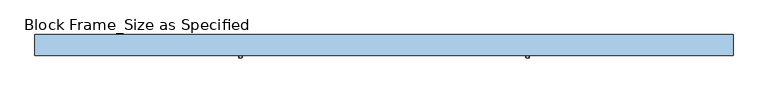
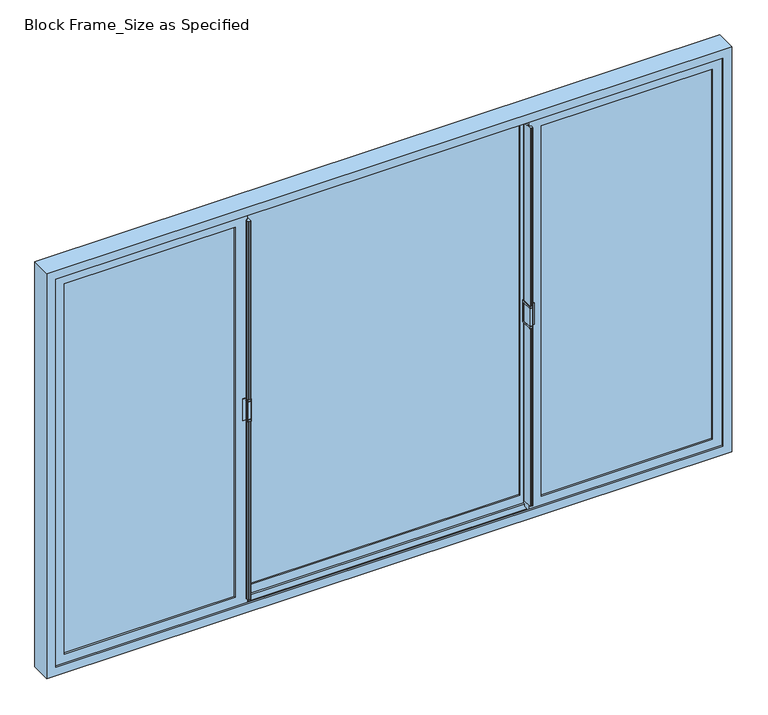
"""IFC4 building model written with IfcOpenShell, lengths in millimetres: window geometry, Block Frame_Size as Specified."""

from ifc_helpers import new_model, si_unit, frame, origin, place, context, project, spatial, polyline, circle_curve, outline, extrude, faceted_brep, source, transform, mapped, element, save
from ifc_brep_helpers import plane_surface, cylinder_surface, advanced_brep


def block_frame_size_as_specified_0ee8d350(model_context):
    return source(origin(), model_context, "Body", "SolidModel", [
        advanced_brep(
        [(-478.110056, 12.2834942, 1409.7), (-476.522556, 13.8709942, 1409.7), (-476.522556, 54.8379688, 1409.7), (-478.48439, 54.8379688, 1409.7), (-478.48439, 26.7678692, 1409.7), (-499.6447082, 26.7678692, 1409.7), (-499.6447082, 25.3803692, 1409.7), (-488.4155038, 25.3803692, 1409.7), (-488.4155038, 13.8709942, 1409.7), (-486.8280038, 12.2834942, 1409.7), (-478.110056, 12.2834942, 1327.15), (-486.8280038, 12.2834942, 1327.15), (-488.4155038, 13.8709942, 1327.15), (-488.4155038, 25.3803692, 1327.15), (-499.6447082, 25.3803692, 1327.15), (-499.6447082, 26.7678692, 1327.15), (-478.48439, 26.7678692, 1327.15), (-478.48439, 54.8379688, 1327.15), (-476.522556, 54.8379688, 1327.15), (-476.522556, 13.8709942, 1327.15), (-486.8280038, 12.2834942, 1403.35), (-478.110056, 12.2834942, 1403.35), (-478.110056, 12.2834942, 1333.5), (-486.8280038, 12.2834942, 1333.5), (-478.110056, 12.2834942, 1335.0875), (-478.110056, 12.2834942, 1401.7625), (-486.8280038, 12.2834942, 1401.7625), (-486.8280038, 12.2834942, 1335.0875), (-488.4155038, 13.8709942, 1403.35), (-488.4155038, 13.8709942, 1333.5), (-488.4155038, 13.8709942, 1401.7625), (-488.4155038, 13.8709942, 1335.0875), (-488.4155038, 25.3803692, 1403.35), (-488.4155038, 25.3803692, 1333.5), (-488.4155038, 25.3803692, 1401.7625), (-488.4155038, 25.3803692, 1335.0875), (-478.48439, 26.7678692, 1403.35), (-488.4155038, 26.7678692, 1403.35), (-488.4155038, 26.7678692, 1401.7625), (-478.48439, 26.7678692, 1401.7625), (-478.48439, 26.7678692, 1335.0875), (-488.4155038, 26.7678692, 1335.0875), (-488.4155038, 26.7678692, 1333.5), (-478.48439, 26.7678692, 1333.5), (-478.48439, 48.4879688, 1333.5), (-478.48439, 48.4879688, 1403.35), (-478.48439, 46.9004688, 1401.7625), (-478.48439, 46.9004688, 1335.0875), (-476.522556, 13.8709942, 1403.35), (-476.522556, 48.4879688, 1403.35), (-476.522556, 48.4879688, 1333.5), (-476.522556, 13.8709942, 1333.5), (-476.522556, 13.8709942, 1401.7625), (-476.522556, 13.8709942, 1335.0875), (-476.522556, 46.9004688, 1335.0875), (-476.522556, 46.9004688, 1401.7625)],
        [
            (0, 1, circle_curve(frame((-478.110056, 13.8709942, 1409.7), z_axis=(0.0, 0.0, 1.0), x_axis=(0.0, 1.0, 0.0)), 1.5875)),
            (1, 2),
            (2, 3),
            (3, 4),
            (4, 5),
            (5, 6),
            (6, 7),
            (7, 8),
            (8, 9, circle_curve(frame((-486.8280038, 13.8709942, 1409.7), z_axis=(0.0, 0.0, 1.0), x_axis=(0.0, 1.0, 0.0)), 1.5875)),
            (9, 0),
            (10, 11),
            (11, 12, circle_curve(frame((-486.8280038, 13.8709942, 1327.15), z_axis=(0.0, 0.0, -1.0), x_axis=(0.0, 1.0, 0.0)), 1.5875)),
            (12, 13),
            (13, 14),
            (14, 15),
            (15, 16),
            (16, 17),
            (17, 18),
            (18, 19),
            (19, 10, circle_curve(frame((-478.110056, 13.8709942, 1327.15), z_axis=(0.0, 0.0, -1.0), x_axis=(0.0, 1.0, 0.0)), 1.5875)),
            (9, 20),
            (20, 21),
            (21, 0),
            (10, 22),
            (22, 23),
            (23, 11),
            (24, 25),
            (25, 26),
            (26, 27),
            (27, 24),
            (8, 28),
            (28, 20, circle_curve(frame((-486.8280038, 13.8709942, 1403.35), z_axis=(0.0, 0.0, 1.0), x_axis=(0.0, 1.0, 0.0)), 1.5875)),
            (23, 29, circle_curve(frame((-486.8280038, 13.8709942, 1333.5), z_axis=(0.0, 0.0, -1.0), x_axis=(0.0, 1.0, 0.0)), 1.5875)),
            (29, 12),
            (26, 30, circle_curve(frame((-486.8280038, 13.8709942, 1401.7625), z_axis=(0.0, 0.0, -1.0), x_axis=(0.0, 1.0, 0.0)), 1.5875)),
            (30, 31),
            (31, 27, circle_curve(frame((-486.8280038, 13.8709942, 1335.0875), z_axis=(0.0, 0.0, 1.0), x_axis=(0.0, 1.0, 0.0)), 1.5875)),
            (7, 32),
            (32, 28),
            (29, 33),
            (33, 13),
            (30, 34),
            (34, 35),
            (35, 31),
            (6, 14),
            (33, 35),
            (34, 32),
            (5, 15),
            (4, 36),
            (36, 37),
            (37, 38),
            (38, 39),
            (39, 40),
            (40, 41),
            (41, 42),
            (42, 43),
            (43, 16),
            (3, 17),
            (43, 44),
            (44, 45),
            (45, 36),
            (39, 46),
            (46, 47),
            (47, 40),
            (2, 18),
            (1, 48),
            (48, 49),
            (49, 50),
            (50, 51),
            (51, 19),
            (52, 53),
            (53, 54),
            (54, 55),
            (55, 52),
            (21, 48, circle_curve(frame((-478.110056, 13.8709942, 1403.35), z_axis=(0.0, 0.0, 1.0), x_axis=(0.0, 1.0, 0.0)), 1.5875)),
            (51, 22, circle_curve(frame((-478.110056, 13.8709942, 1333.5), z_axis=(0.0, 0.0, -1.0), x_axis=(0.0, 1.0, 0.0)), 1.5875)),
            (24, 53, circle_curve(frame((-478.110056, 13.8709942, 1335.0875), z_axis=(0.0, 0.0, 1.0), x_axis=(0.0, 1.0, 0.0)), 1.5875)),
            (52, 25, circle_curve(frame((-478.110056, 13.8709942, 1401.7625), z_axis=(0.0, 0.0, -1.0), x_axis=(0.0, 1.0, 0.0)), 1.5875)),
            (34, 38),
            (37, 32),
            (41, 35),
            (33, 42),
            (55, 46),
            (54, 47),
            (50, 44),
            (49, 45),
        ],
        [
            plane_surface(frame((-482.9710411, 12.2834942, 1409.7), z_axis=(0.0, 0.0, 1.0), x_axis=(1.0, 0.0, 0.0))),
            plane_surface(frame((-482.9710411, 12.2834942, 1327.15), z_axis=(0.0, 0.0, -1.0), x_axis=(-1.0, 0.0, 0.0))),
            plane_surface(frame((-478.110056, 12.2834942, 1327.15), z_axis=(0.0, -1.0, 0.0), x_axis=(0.0, 0.0, 1.0))),
            cylinder_surface(frame((-486.8280038, 13.8709942, 1409.7), z_axis=(0.0, 0.0, -1.0), x_axis=(0.0, 1.0, 0.0)), 1.5875),
            plane_surface(frame((-488.4155038, 13.8709942, 1327.15), z_axis=(-1.0, 0.0, 0.0), x_axis=(0.0, 0.0, 1.0))),
            plane_surface(frame((-488.4155038, 25.3803692, 1327.15), z_axis=(0.0, -1.0, 0.0), x_axis=(0.0, 0.0, 1.0))),
            plane_surface(frame((-499.6447082, 25.3803692, 1327.15), z_axis=(-1.0, 0.0, 0.0), x_axis=(0.0, 0.0, 1.0))),
            plane_surface(frame((-499.6447082, 26.7678692, 1327.15), z_axis=(0.0, 1.0, 0.0), x_axis=(0.0, 0.0, 1.0))),
            plane_surface(frame((-478.48439, 26.7678692, 1327.15), z_axis=(-1.0, 0.0, 0.0), x_axis=(0.0, 0.0, 1.0))),
            plane_surface(frame((-478.48439, 54.8379688, 1327.15), z_axis=(0.0, 1.0, 0.0), x_axis=(0.0, 0.0, 1.0))),
            plane_surface(frame((-476.522556, 54.8379688, 1327.15), z_axis=(1.0, 0.0, 0.0), x_axis=(0.0, 0.0, 1.0))),
            cylinder_surface(frame((-478.110056, 13.8709942, 1409.7), z_axis=(0.0, 0.0, -1.0), x_axis=(0.0, 1.0, 0.0)), 1.5875),
            plane_surface(frame((-488.4155038, 12.2834942, 1403.35), z_axis=(1.0, 0.0, 0.0), x_axis=(0.0, 0.0, 1.0))),
            plane_surface(frame((-476.522556, 12.2834942, 1401.7625), z_axis=(0.0, 0.0, 1.0), x_axis=(-1.0, 0.0, 0.0))),
            plane_surface(frame((-476.522556, 46.9004688, 1401.7625), z_axis=(0.0, 1.0, 0.0), x_axis=(-1.0, 0.0, 0.0))),
            plane_surface(frame((-476.522556, 46.9004688, 1335.0875), z_axis=(0.0, 0.0, -1.0), x_axis=(-1.0, 0.0, 0.0))),
            plane_surface(frame((-476.522556, 12.2834942, 1333.5), z_axis=(0.0, 0.0, 1.0), x_axis=(-1.0, 0.0, 0.0))),
            plane_surface(frame((-476.522556, 48.4879688, 1333.5), z_axis=(0.0, -1.0, 0.0), x_axis=(-1.0, 0.0, 0.0))),
            plane_surface(frame((-476.522556, 48.4879688, 1403.35), z_axis=(0.0, 0.0, -1.0), x_axis=(-1.0, 0.0, 0.0))),
        ],
        [
            (0, [[1, 2, 3, 4, 5, 6, 7, 8, 9, 10]]),
            (1, [[11, 12, 13, 14, 15, 16, 17, 18, 19, 20]]),
            (2, [[-10, 21, 22, 23]]),
            (2, [[-11, 24, 25, 26]]),
            (2, [[27, 28, 29, 30]]),
            (3, [[-9, 31, 32, -21]]),
            (3, [[-12, -26, 33, 34]]),
            (3, [[-29, 35, 36, 37]]),
            (4, [[-8, 38, 39, -31]]),
            (4, [[-13, -34, 40, 41]]),
            (4, [[-36, 42, 43, 44]]),
            (5, [[-7, 45, -14, -41, 46, -43, 47, -38]]),
            (6, [[-6, 48, -15, -45]]),
            (7, [[-5, 49, 50, 51, 52, 53, 54, 55, 56, 57, -16, -48]]),
            (8, [[-4, 58, -17, -57, 59, 60, 61, -49]]),
            (8, [[-53, 62, 63, 64]]),
            (9, [[-3, 65, -18, -58]]),
            (10, [[-2, 66, 67, 68, 69, 70, -19, -65]]),
            (10, [[71, 72, 73, 74]]),
            (11, [[-1, -23, 75, -66]]),
            (11, [[-20, -70, 76, -24]]),
            (11, [[-27, 77, -71, 78]]),
            (12, [[79, -51, 80, -47]]),
            (12, [[81, -46, 82, -55]]),
            (13, [[-79, -42, -35, -28, -78, -74, 83, -62, -52]]),
            (14, [[-83, -73, 84, -63]]),
            (15, [[-81, -54, -64, -84, -72, -77, -30, -37, -44]]),
            (16, [[-82, -40, -33, -25, -76, -69, 85, -59, -56]]),
            (17, [[-85, -68, 86, -60]]),
            (18, [[-80, -50, -61, -86, -67, -75, -22, -32, -39]]),
        ],
    ),
        advanced_brep(
        [(516.210056, 12.2834942, 1327.15), (514.622556, 13.8709942, 1327.15), (514.622556, 54.8379688, 1327.15), (516.58439, 54.8379688, 1327.15), (516.58439, 26.7678692, 1327.15), (537.7447082, 26.7678692, 1327.15), (537.7447082, 25.3803692, 1327.15), (526.5155038, 25.3803692, 1327.15), (526.5155038, 13.8709942, 1327.15), (524.9280038, 12.2834942, 1327.15), (516.210056, 12.2834942, 1409.7), (524.9280038, 12.2834942, 1409.7), (526.5155038, 13.8709942, 1409.7), (526.5155038, 25.3803692, 1409.7), (537.7447082, 25.3803692, 1409.7), (537.7447082, 26.7678692, 1409.7), (516.58439, 26.7678692, 1409.7), (516.58439, 54.8379688, 1409.7), (514.622556, 54.8379688, 1409.7), (514.622556, 13.8709942, 1409.7), (524.9280038, 12.2834942, 1333.5), (516.210056, 12.2834942, 1333.5), (516.210056, 12.2834942, 1403.35), (524.9280038, 12.2834942, 1403.35), (516.210056, 12.2834942, 1401.7625), (516.210056, 12.2834942, 1335.0875), (524.9280038, 12.2834942, 1335.0875), (524.9280038, 12.2834942, 1401.7625), (526.5155038, 13.8709942, 1333.5), (526.5155038, 13.8709942, 1403.35), (526.5155038, 13.8709942, 1335.0875), (526.5155038, 13.8709942, 1401.7625), (526.5155038, 25.3803692, 1333.5), (526.5155038, 25.3803692, 1403.35), (526.5155038, 25.3803692, 1335.0875), (526.5155038, 25.3803692, 1401.7625), (516.58439, 26.7678692, 1333.5), (526.5155038, 26.7678692, 1333.5), (526.5155038, 26.7678692, 1335.0875), (516.58439, 26.7678692, 1335.0875), (516.58439, 26.7678692, 1401.7625), (526.5155038, 26.7678692, 1401.7625), (526.5155038, 26.7678692, 1403.35), (516.58439, 26.7678692, 1403.35), (516.58439, 48.4879688, 1403.35), (516.58439, 48.4879688, 1333.5), (516.58439, 46.9004688, 1335.0875), (516.58439, 46.9004688, 1401.7625), (514.622556, 13.8709942, 1333.5), (514.622556, 48.4879688, 1333.5), (514.622556, 48.4879688, 1403.35), (514.622556, 13.8709942, 1403.35), (514.622556, 13.8709942, 1335.0875), (514.622556, 13.8709942, 1401.7625), (514.622556, 46.9004688, 1401.7625), (514.622556, 46.9004688, 1335.0875)],
        [
            (0, 1, circle_curve(frame((516.210056, 13.8709942, 1327.15), z_axis=(0.0, 0.0, -1.0), x_axis=(0.0, 1.0, 0.0)), 1.5875)),
            (1, 2),
            (2, 3),
            (3, 4),
            (4, 5),
            (5, 6),
            (6, 7),
            (7, 8),
            (8, 9, circle_curve(frame((524.9280038, 13.8709942, 1327.15), z_axis=(0.0, 0.0, -1.0), x_axis=(0.0, 1.0, 0.0)), 1.5875)),
            (9, 0),
            (10, 11),
            (11, 12, circle_curve(frame((524.9280038, 13.8709942, 1409.7), z_axis=(0.0, 0.0, 1.0), x_axis=(0.0, 1.0, 0.0)), 1.5875)),
            (12, 13),
            (13, 14),
            (14, 15),
            (15, 16),
            (16, 17),
            (17, 18),
            (18, 19),
            (19, 10, circle_curve(frame((516.210056, 13.8709942, 1409.7), z_axis=(0.0, 0.0, 1.0), x_axis=(0.0, 1.0, 0.0)), 1.5875)),
            (9, 20),
            (20, 21),
            (21, 0),
            (10, 22),
            (22, 23),
            (23, 11),
            (24, 25),
            (25, 26),
            (26, 27),
            (27, 24),
            (8, 28),
            (28, 20, circle_curve(frame((524.9280038, 13.8709942, 1333.5), z_axis=(0.0, 0.0, -1.0), x_axis=(0.0, 1.0, 0.0)), 1.5875)),
            (23, 29, circle_curve(frame((524.9280038, 13.8709942, 1403.35), z_axis=(0.0, 0.0, 1.0), x_axis=(0.0, 1.0, 0.0)), 1.5875)),
            (29, 12),
            (26, 30, circle_curve(frame((524.9280038, 13.8709942, 1335.0875), z_axis=(0.0, 0.0, 1.0), x_axis=(0.0, 1.0, 0.0)), 1.5875)),
            (30, 31),
            (31, 27, circle_curve(frame((524.9280038, 13.8709942, 1401.7625), z_axis=(0.0, 0.0, -1.0), x_axis=(0.0, 1.0, 0.0)), 1.5875)),
            (7, 32),
            (32, 28),
            (29, 33),
            (33, 13),
            (30, 34),
            (34, 35),
            (35, 31),
            (6, 14),
            (33, 35),
            (34, 32),
            (5, 15),
            (4, 36),
            (36, 37),
            (37, 38),
            (38, 39),
            (39, 40),
            (40, 41),
            (41, 42),
            (42, 43),
            (43, 16),
            (3, 17),
            (43, 44),
            (44, 45),
            (45, 36),
            (39, 46),
            (46, 47),
            (47, 40),
            (2, 18),
            (1, 48),
            (48, 49),
            (49, 50),
            (50, 51),
            (51, 19),
            (52, 53),
            (53, 54),
            (54, 55),
            (55, 52),
            (21, 48, circle_curve(frame((516.210056, 13.8709942, 1333.5), z_axis=(0.0, 0.0, -1.0), x_axis=(0.0, 1.0, 0.0)), 1.5875)),
            (51, 22, circle_curve(frame((516.210056, 13.8709942, 1403.35), z_axis=(0.0, 0.0, 1.0), x_axis=(0.0, 1.0, 0.0)), 1.5875)),
            (24, 53, circle_curve(frame((516.210056, 13.8709942, 1401.7625), z_axis=(0.0, 0.0, -1.0), x_axis=(0.0, 1.0, 0.0)), 1.5875)),
            (52, 25, circle_curve(frame((516.210056, 13.8709942, 1335.0875), z_axis=(0.0, 0.0, 1.0), x_axis=(0.0, 1.0, 0.0)), 1.5875)),
            (34, 38),
            (37, 32),
            (41, 35),
            (33, 42),
            (55, 46),
            (54, 47),
            (50, 44),
            (49, 45),
        ],
        [
            plane_surface(frame((521.0710411, 12.2834942, 1327.15), z_axis=(0.0, 0.0, -1.0), x_axis=(-1.0, 0.0, 0.0))),
            plane_surface(frame((521.0710411, 12.2834942, 1409.7), z_axis=(0.0, 0.0, 1.0), x_axis=(1.0, 0.0, 0.0))),
            plane_surface(frame((516.210056, 12.2834942, 1409.7), z_axis=(0.0, -1.0, 0.0), x_axis=(0.0, 0.0, -1.0))),
            cylinder_surface(frame((524.9280038, 13.8709942, 1327.15), z_axis=(0.0, 0.0, 1.0), x_axis=(0.0, 1.0, 0.0)), 1.5875),
            plane_surface(frame((526.5155038, 13.8709942, 1409.7), z_axis=(1.0, 0.0, 0.0), x_axis=(0.0, 0.0, -1.0))),
            plane_surface(frame((526.5155038, 25.3803692, 1409.7), z_axis=(0.0, -1.0, 0.0), x_axis=(0.0, 0.0, -1.0))),
            plane_surface(frame((537.7447082, 25.3803692, 1409.7), z_axis=(1.0, 0.0, 0.0), x_axis=(0.0, 0.0, -1.0))),
            plane_surface(frame((537.7447082, 26.7678692, 1409.7), z_axis=(0.0, 1.0, 0.0), x_axis=(0.0, 0.0, -1.0))),
            plane_surface(frame((516.58439, 26.7678692, 1409.7), z_axis=(1.0, 0.0, 0.0), x_axis=(0.0, 0.0, -1.0))),
            plane_surface(frame((516.58439, 54.8379688, 1409.7), z_axis=(0.0, 1.0, 0.0), x_axis=(0.0, 0.0, -1.0))),
            plane_surface(frame((514.622556, 54.8379688, 1409.7), z_axis=(-1.0, 0.0, 0.0), x_axis=(0.0, 0.0, -1.0))),
            cylinder_surface(frame((516.210056, 13.8709942, 1327.15), z_axis=(0.0, 0.0, 1.0), x_axis=(0.0, 1.0, 0.0)), 1.5875),
            plane_surface(frame((526.5155038, 12.2834942, 1333.5), z_axis=(-1.0, 0.0, 0.0), x_axis=(0.0, 0.0, -1.0))),
            plane_surface(frame((514.622556, 12.2834942, 1335.0875), z_axis=(0.0, 0.0, -1.0), x_axis=(1.0, 0.0, 0.0))),
            plane_surface(frame((514.622556, 46.9004688, 1335.0875), z_axis=(0.0, 1.0, 0.0), x_axis=(1.0, 0.0, 0.0))),
            plane_surface(frame((514.622556, 46.9004688, 1401.7625), z_axis=(0.0, 0.0, 1.0), x_axis=(1.0, 0.0, 0.0))),
            plane_surface(frame((514.622556, 12.2834942, 1403.35), z_axis=(0.0, 0.0, -1.0), x_axis=(1.0, 0.0, 0.0))),
            plane_surface(frame((514.622556, 48.4879688, 1403.35), z_axis=(0.0, -1.0, 0.0), x_axis=(1.0, 0.0, 0.0))),
            plane_surface(frame((514.622556, 48.4879688, 1333.5), z_axis=(0.0, 0.0, 1.0), x_axis=(1.0, 0.0, 0.0))),
        ],
        [
            (0, [[1, 2, 3, 4, 5, 6, 7, 8, 9, 10]]),
            (1, [[11, 12, 13, 14, 15, 16, 17, 18, 19, 20]]),
            (2, [[-10, 21, 22, 23]]),
            (2, [[-11, 24, 25, 26]]),
            (2, [[27, 28, 29, 30]]),
            (3, [[-9, 31, 32, -21]]),
            (3, [[-12, -26, 33, 34]]),
            (3, [[-29, 35, 36, 37]]),
            (4, [[-8, 38, 39, -31]]),
            (4, [[-13, -34, 40, 41]]),
            (4, [[-36, 42, 43, 44]]),
            (5, [[-7, 45, -14, -41, 46, -43, 47, -38]]),
            (6, [[-6, 48, -15, -45]]),
            (7, [[-5, 49, 50, 51, 52, 53, 54, 55, 56, 57, -16, -48]]),
            (8, [[-4, 58, -17, -57, 59, 60, 61, -49]]),
            (8, [[-53, 62, 63, 64]]),
            (9, [[-3, 65, -18, -58]]),
            (10, [[-2, 66, 67, 68, 69, 70, -19, -65]]),
            (10, [[71, 72, 73, 74]]),
            (11, [[-1, -23, 75, -66]]),
            (11, [[-20, -70, 76, -24]]),
            (11, [[-27, 77, -71, 78]]),
            (12, [[79, -51, 80, -47]]),
            (12, [[81, -46, 82, -55]]),
            (13, [[-79, -42, -35, -28, -78, -74, 83, -62, -52]]),
            (14, [[-83, -73, 84, -63]]),
            (15, [[-81, -54, -64, -84, -72, -77, -30, -37, -44]]),
            (16, [[-82, -40, -33, -25, -76, -69, 85, -59, -56]]),
            (17, [[-85, -68, 86, -60]]),
            (18, [[-80, -50, -61, -86, -67, -75, -22, -32, -39]]),
        ],
    ),
        faceted_brep([(1238.25, 93.3158692, 2130.425), (1238.25, 20.2908692, 2130.425), (1238.25, 20.2908692, 606.425), (1238.25, 93.3158692, 606.425), (1222.375, 86.2533834, 2114.55), (1222.375, 93.3158692, 2114.55), (1222.375, 93.3158692, 622.3), (1222.375, 86.2533834, 622.3), (1206.5, 57.8828692, 2098.675), (1206.5, 68.8048692, 2098.675), (1206.5, 68.8048692, 638.175), (1206.5, 57.8828692, 638.175), (1228.725, 26.6408692, 2120.9), (1228.725, 57.8828692, 2120.9), (1228.725, 57.8828692, 615.95), (1228.725, 26.6408692, 615.95), (1206.5, 20.2908692, 2098.675), (1206.5, 26.6408692, 2098.675), (1206.5, 26.6408692, 638.175), (1206.5, 20.2908692, 638.175), (-1200.15, 20.2908692, 606.425), (-1200.15, 93.3158692, 606.425), (-1184.275, 93.3158692, 622.3), (-1184.275, 86.2533834, 622.3), (-1168.4, 68.8048692, 638.175), (-1168.4, 57.8828692, 638.175), (-1190.625, 57.8828692, 615.95), (-1190.625, 26.6408692, 615.95), (-1168.4, 26.6408692, 638.175), (-1168.4, 20.2908692, 638.175), (-1200.15, 20.2908692, 2130.425), (-1200.15, 93.3158692, 2130.425), (-1184.275, 93.3158692, 2114.55), (-1184.275, 86.2533834, 2114.55), (-1168.4, 68.8048692, 2098.675), (-1168.4, 57.8828692, 2098.675), (-1190.625, 57.8828692, 2120.9), (-1190.625, 26.6408692, 2120.9), (-1168.4, 26.6408692, 2098.675), (-1168.4, 20.2908692, 2098.675), (1224.9532518, 68.8048692, 2117.1282518), (1224.9532518, 86.2533834, 2117.1282518), (1224.9532518, 86.2533834, 619.7217482), (1224.9532518, 68.8048692, 619.7217482), (-1186.8532518, 86.2533834, 619.7217482), (-1186.8532518, 68.8048692, 619.7217482), (-1186.8532518, 86.2533834, 2117.1282518), (-1186.8532518, 68.8048692, 2117.1282518)], [[[0, 1, 2, 3]], [[4, 5, 6, 7]], [[8, 9, 10, 11]], [[12, 13, 14, 15]], [[16, 17, 18, 19]], [[3, 2, 20, 21]], [[7, 6, 22, 23]], [[11, 10, 24, 25]], [[15, 14, 26, 27]], [[19, 18, 28, 29]], [[21, 20, 30, 31]], [[23, 22, 32, 33]], [[25, 24, 34, 35]], [[27, 26, 36, 37]], [[29, 28, 38, 39]], [[1, 0, 31, 30]], [[0, 3, 21, 31], [6, 5, 32, 22]], [[5, 4, 33, 32]], [[9, 8, 35, 34]], [[14, 13, 36, 26], [8, 11, 25, 35]], [[13, 12, 37, 36]], [[12, 15, 27, 37], [18, 17, 38, 28]], [[17, 16, 39, 38]], [[2, 1, 30, 20], [16, 19, 29, 39]], [[40, 41, 42, 43]], [[43, 42, 44, 45]], [[45, 44, 46, 47]], [[42, 41, 46, 44], [4, 7, 23, 33]], [[41, 40, 47, 46]], [[40, 43, 45, 47], [10, 9, 34, 24]]]),
        extrude(outline(polyline([(662.5009224, -1144.0740776), (662.5009224, -516.4509224), (2074.3490776, -516.4509224), (2074.3490776, -1144.0740776), (662.5009224, -1144.0740776)]), holes=[polyline([(2066.4115776, -1136.1365776), (2066.4115776, -524.3884224), (670.4384224, -524.3884224), (670.4384224, -1136.1365776), (2066.4115776, -1136.1365776)])]), frame((0.0, 36.4833692, 0.0), z_axis=(0.0, 1.0, 0.0), x_axis=(0.0, 0.0, 1.0)), (0.0, 0.0, 1.0), 12.7),
        extrude(outline(polyline([(2078.0375, 521.49375), (2078.0375, -483.39375), (658.8125, -483.39375), (658.8125, 521.49375), (2078.0375, 521.49375)]), holes=[polyline([(669.925, 510.38125), (669.925, -472.28125), (2066.925, -472.28125), (2066.925, 510.38125), (669.925, 510.38125)])]), frame((0.0, 72.6783692, 0.0), z_axis=(0.0, 1.0, 0.0), x_axis=(0.0, 0.0, 1.0)), (0.0, 0.0, 1.0), 12.7),
        extrude(outline(polyline([(2074.3490776, 1182.1740776), (2074.3490776, 554.5509224), (662.5009224, 554.5509224), (662.5009224, 1182.1740776), (2074.3490776, 1182.1740776)]), holes=[polyline([(670.4384224, 1174.2365776), (670.4384224, 562.4884224), (2066.4115776, 562.4884224), (2066.4115776, 1174.2365776), (670.4384224, 1174.2365776)])]), frame((0.0, 36.4833692, 0.0), z_axis=(0.0, 1.0, 0.0), x_axis=(0.0, 0.0, 1.0)), (0.0, 0.0, 1.0), 12.7),
        advanced_brep(
        [(-483.39375, 62.5533692, 629.44375), (-483.39375, 62.5533692, 2107.40625), (-483.39375, 26.6408692, 2107.40625), (-483.39375, 26.6408692, 2079.625), (-483.39375, 49.3033692, 2079.625), (-483.39375, 49.3033692, 657.225), (-483.39375, 26.6408692, 657.225), (-483.39375, 26.6408692, 629.44375), (-509.5932148, 56.005713, 2081.2067852), (-509.5932148, 56.8033692, 2081.2067852), (-509.5932148, 56.8033692, 2107.40625), (-509.5932148, 62.5533692, 2107.40625), (-509.5932148, 62.5533692, 629.44375), (-509.5932148, 56.8033692, 629.44375), (-509.5932148, 56.8033692, 655.6432148), (-509.5932148, 56.005713, 655.6432148), (-525.4688502, 52.1678692, 2065.3311498), (-525.4688502, 56.005713, 2065.3311498), (-525.4688502, 56.005713, 671.5188502), (-525.4688502, 52.1678692, 671.5188502), (-516.4509224, 33.1178692, 2074.3490776), (-516.4509224, 52.1678692, 2074.3490776), (-516.4509224, 52.1678692, 662.5009224), (-516.4509224, 33.1178692, 662.5009224), (-525.4509224, 26.6408692, 2065.3490776), (-525.4509224, 33.1178692, 2065.3490776), (-525.4509224, 33.1178692, 671.5009224), (-525.4509224, 26.6408692, 671.5009224), (-1177.13125, 26.6408692, 629.44375), (-1177.13125, 56.8033692, 629.44375), (-1150.9317852, 56.8033692, 655.6432148), (-1150.9317852, 56.005713, 655.6432148), (-1135.0561498, 56.005713, 671.5188502), (-1135.0561498, 52.1678692, 671.5188502), (-1144.0740776, 52.1678692, 662.5009224), (-1144.0740776, 33.1178692, 662.5009224), (-1135.0740776, 33.1178692, 671.5009224), (-1135.0740776, 26.6408692, 671.5009224), (-1177.13125, 26.6408692, 2107.40625), (-1177.13125, 56.8033692, 2107.40625), (-1150.9317852, 56.8033692, 2081.2067852), (-1150.9317852, 56.005713, 2081.2067852), (-1135.0561498, 56.005713, 2065.3311498), (-1135.0561498, 52.1678692, 2065.3311498), (-1144.0740776, 52.1678692, 2074.3490776), (-1144.0740776, 33.1178692, 2074.3490776), (-1135.0740776, 33.1178692, 2065.3490776), (-1135.0740776, 26.6408692, 2065.3490776), (-485.17918, 26.6408692, 657.225), (-485.17918, 26.6408692, 2079.625), (-488.290714, 21.3797211, 2079.625), (-486.8800981, 13.3797211, 2079.625), (-485.8952904, 12.5533692, 2079.625), (-479.73439, 12.5533692, 2079.625), (-478.48439, 13.8033692, 2079.625), (-478.48439, 49.3033692, 2079.625), (-485.17918, 22.5533692, 2079.625), (-487.3059062, 22.5533692, 2079.625), (-488.290714, 21.3797211, 657.225), (-487.3059062, 22.5533692, 657.225), (-485.17918, 22.5533692, 657.225), (-478.48439, 49.3033692, 657.225), (-478.48439, 13.8033692, 657.225), (-479.73439, 12.5533692, 657.225), (-485.8952904, 12.5533692, 657.225), (-486.8800981, 13.3797211, 657.225)],
        [
            (0, 1),
            (1, 2),
            (2, 3),
            (3, 4),
            (4, 5),
            (5, 6),
            (6, 7),
            (7, 0),
            (8, 9),
            (9, 10),
            (10, 11),
            (11, 12),
            (12, 13),
            (13, 14),
            (14, 15),
            (15, 8),
            (16, 17),
            (17, 18),
            (18, 19),
            (19, 16),
            (20, 21),
            (21, 22),
            (22, 23),
            (23, 20),
            (24, 25),
            (25, 26),
            (26, 27),
            (27, 24),
            (7, 28),
            (28, 29),
            (29, 13),
            (12, 0),
            (14, 30),
            (30, 31),
            (31, 15),
            (18, 32),
            (32, 33),
            (33, 19),
            (22, 34),
            (34, 35),
            (35, 23),
            (26, 36),
            (36, 37),
            (37, 27),
            (28, 38),
            (38, 39),
            (39, 29),
            (30, 40),
            (40, 41),
            (41, 31),
            (32, 42),
            (42, 43),
            (43, 33),
            (34, 44),
            (44, 45),
            (45, 35),
            (36, 46),
            (46, 47),
            (47, 37),
            (38, 2),
            (1, 11),
            (10, 39),
            (9, 40),
            (8, 41),
            (17, 42),
            (16, 43),
            (21, 44),
            (20, 45),
            (25, 46),
            (24, 47),
            (6, 48),
            (48, 49),
            (49, 3),
            (50, 51),
            (51, 52, circle_curve(frame((-485.8952904, 13.5533692, 2079.625), z_axis=(0.0, 0.0, 1.0), x_axis=(1.0, 0.0, 0.0)), 1.0)),
            (52, 53),
            (53, 54, circle_curve(frame((-479.73439, 13.8033692, 2079.625), z_axis=(0.0, 0.0, 1.0), x_axis=(1.0, 0.0, 0.0)), 1.25)),
            (54, 55),
            (55, 4),
            (49, 56),
            (56, 57),
            (57, 50, circle_curve(frame((-487.3059062, 21.5533692, 2079.625), z_axis=(0.0, 0.0, 1.0), x_axis=(1.0, 0.0, 0.0)), 1.0)),
            (58, 59, circle_curve(frame((-487.3059062, 21.5533692, 657.225), z_axis=(0.0, 0.0, -1.0), x_axis=(1.0, 0.0, 0.0)), 1.0)),
            (59, 60),
            (60, 48),
            (5, 61),
            (61, 62),
            (62, 63, circle_curve(frame((-479.73439, 13.8033692, 657.225), z_axis=(0.0, 0.0, -1.0), x_axis=(1.0, 0.0, 0.0)), 1.25)),
            (63, 64),
            (64, 65, circle_curve(frame((-485.8952904, 13.5533692, 657.225), z_axis=(0.0, 0.0, -1.0), x_axis=(1.0, 0.0, 0.0)), 1.0)),
            (65, 58),
            (50, 58),
            (65, 51),
            (64, 52),
            (63, 53),
            (62, 54),
            (61, 55),
            (60, 56),
            (59, 57),
        ],
        [
            plane_surface(frame((-483.39375, 26.6408692, 2107.40625), z_axis=(1.0, 0.0, 0.0), x_axis=(0.0, 0.0, -1.0))),
            plane_surface(frame((-509.5932148, 56.8033692, 2081.2067852), z_axis=(-1.0, 0.0, 0.0), x_axis=(0.0, 0.0, -1.0))),
            plane_surface(frame((-525.4688502, 56.005713, 2065.3311498), z_axis=(-1.0, 0.0, 0.0), x_axis=(0.0, 0.0, -1.0))),
            plane_surface(frame((-516.4509224, 52.1678692, 2074.3490776), z_axis=(-1.0, 0.0, 0.0), x_axis=(0.0, 0.0, -1.0))),
            plane_surface(frame((-525.4509224, 33.1178692, 2065.3490776), z_axis=(-1.0, 0.0, 0.0), x_axis=(0.0, 0.0, -1.0))),
            plane_surface(frame((-483.39375, 26.6408692, 629.44375), z_axis=(0.0, 0.0, -1.0), x_axis=(-1.0, 0.0, 0.0))),
            plane_surface(frame((-509.5932148, 56.8033692, 655.6432148), z_axis=(0.0, 0.0, 1.0), x_axis=(-1.0, 0.0, 0.0))),
            plane_surface(frame((-525.4688502, 56.005713, 671.5188502), z_axis=(0.0, 0.0, 1.0), x_axis=(-1.0, 0.0, 0.0))),
            plane_surface(frame((-516.4509224, 52.1678692, 662.5009224), z_axis=(0.0, 0.0, 1.0), x_axis=(-1.0, 0.0, 0.0))),
            plane_surface(frame((-525.4509224, 33.1178692, 671.5009224), z_axis=(0.0, 0.0, 1.0), x_axis=(-1.0, 0.0, 0.0))),
            plane_surface(frame((-1177.13125, 26.6408692, 629.44375), z_axis=(-1.0, 0.0, 0.0), x_axis=(0.0, 0.0, 1.0))),
            plane_surface(frame((-1150.9317852, 56.8033692, 655.6432148), z_axis=(1.0, 0.0, 0.0), x_axis=(0.0, 0.0, 1.0))),
            plane_surface(frame((-1135.0561498, 56.005713, 671.5188502), z_axis=(1.0, 0.0, 0.0), x_axis=(0.0, 0.0, 1.0))),
            plane_surface(frame((-1144.0740776, 52.1678692, 662.5009224), z_axis=(1.0, 0.0, 0.0), x_axis=(0.0, 0.0, 1.0))),
            plane_surface(frame((-1135.0740776, 33.1178692, 671.5009224), z_axis=(1.0, 0.0, 0.0), x_axis=(0.0, 0.0, 1.0))),
            plane_surface(frame((-1177.13125, 26.6408692, 2107.40625), z_axis=(0.0, 0.0, 1.0), x_axis=(1.0, 0.0, 0.0))),
            plane_surface(frame((-1177.13125, 56.8033692, 2107.40625), z_axis=(0.0, 1.0, 0.0), x_axis=(1.0, 0.0, 0.0))),
            plane_surface(frame((-1150.9317852, 56.8033692, 2081.2067852), z_axis=(0.0, 0.0, -1.0), x_axis=(1.0, 0.0, 0.0))),
            plane_surface(frame((-1150.9317852, 56.005713, 2081.2067852), z_axis=(0.0, 1.0, 0.0), x_axis=(1.0, 0.0, 0.0))),
            plane_surface(frame((-1135.0561498, 56.005713, 2065.3311498), z_axis=(0.0, 0.0, -1.0), x_axis=(1.0, 0.0, 0.0))),
            plane_surface(frame((-1135.0561498, 52.1678692, 2065.3311498), z_axis=(0.0, -1.0, 0.0), x_axis=(1.0, 0.0, 0.0))),
            plane_surface(frame((-1144.0740776, 52.1678692, 2074.3490776), z_axis=(0.0, 0.0, -1.0), x_axis=(1.0, 0.0, 0.0))),
            plane_surface(frame((-1144.0740776, 33.1178692, 2074.3490776), z_axis=(0.0, 1.0, 0.0), x_axis=(1.0, 0.0, 0.0))),
            plane_surface(frame((-1135.0740776, 33.1178692, 2065.3490776), z_axis=(0.0, 0.0, -1.0), x_axis=(1.0, 0.0, 0.0))),
            plane_surface(frame((-1135.0740776, 26.6408692, 2065.3490776), z_axis=(0.0, -1.0, 0.0), x_axis=(1.0, 0.0, 0.0))),
            plane_surface(frame((-483.39375, 62.5533692, 2107.40625), z_axis=(0.0, 1.0, 0.0), x_axis=(0.0, 0.0, -1.0))),
            plane_surface(frame((-486.8800981, 13.3797211, 2079.625), z_axis=(0.0, 0.0, 1.0000000000000002), x_axis=(0.17364817767178362, -0.9848077530113524, 0.0))),
            plane_surface(frame((-486.8800981, 13.3797211, 657.225), z_axis=(0.0, 0.0, -1.0000000000000002), x_axis=(-0.17364817767178362, 0.9848077530113524, 0.0))),
            plane_surface(frame((-488.290714, 21.3797211, 2079.625), z_axis=(-0.9848077530113524, -0.17364817767178362, 0.0), x_axis=(0.0, 0.0, -1.0))),
            cylinder_surface(frame((-485.8952904, 13.5533692, 657.225), z_axis=(0.0, 0.0, 1.0), x_axis=(1.0, 0.0, 0.0)), 1.0),
            plane_surface(frame((-485.8952904, 12.5533692, 2079.625), z_axis=(0.0, -1.0, 0.0), x_axis=(0.0, 0.0, -1.0))),
            cylinder_surface(frame((-479.73439, 13.8033692, 657.225), z_axis=(0.0, 0.0, 1.0), x_axis=(1.0, 0.0, 0.0)), 1.25),
            plane_surface(frame((-478.48439, 13.8033692, 2079.625), z_axis=(1.0, 0.0, 0.0), x_axis=(0.0, 0.0, -1.0))),
            plane_surface(frame((-478.48439, 49.3033692, 2079.625), z_axis=(0.0, 1.0, 0.0), x_axis=(0.0, 0.0, -1.0))),
            plane_surface(frame((-485.17918, 26.6408692, 2079.625), z_axis=(-1.0, 0.0, 0.0), x_axis=(0.0, 0.0, -1.0))),
            plane_surface(frame((-485.17918, 22.5533692, 2079.625), z_axis=(-6.841984280461435e-12, 1.0, 0.0), x_axis=(0.0, 0.0, -1.0))),
            cylinder_surface(frame((-487.3059062, 21.5533692, 657.225), z_axis=(0.0, 0.0, 1.0), x_axis=(1.0, 0.0, 0.0)), 1.0),
        ],
        [
            (0, [[1, 2, 3, 4, 5, 6, 7, 8]]),
            (1, [[9, 10, 11, 12, 13, 14, 15, 16]]),
            (2, [[17, 18, 19, 20]]),
            (3, [[21, 22, 23, 24]]),
            (4, [[25, 26, 27, 28]]),
            (5, [[29, 30, 31, -13, 32, -8]]),
            (6, [[-15, 33, 34, 35]]),
            (7, [[-19, 36, 37, 38]]),
            (8, [[-23, 39, 40, 41]]),
            (9, [[-27, 42, 43, 44]]),
            (10, [[-30, 45, 46, 47]]),
            (11, [[-34, 48, 49, 50]]),
            (12, [[-37, 51, 52, 53]]),
            (13, [[-40, 54, 55, 56]]),
            (14, [[-43, 57, 58, 59]]),
            (15, [[-46, 60, -2, 61, -11, 62]]),
            (16, [[-33, -14, -31, -47, -62, -10, 63, -48]]),
            (17, [[-9, 64, -49, -63]]),
            (18, [[-16, -35, -50, -64], [-18, 65, -51, -36]]),
            (19, [[-17, 66, -52, -65]]),
            (20, [[-22, 67, -54, -39], [-20, -38, -53, -66]]),
            (21, [[-21, 68, -55, -67]]),
            (22, [[-24, -41, -56, -68], [-26, 69, -57, -42]]),
            (23, [[-25, 70, -58, -69]]),
            (24, [[-29, -7, 71, 72, 73, -3, -60, -45], [-28, -44, -59, -70]]),
            (25, [[-61, -1, -32, -12]]),
            (26, [[74, 75, 76, 77, 78, 79, -4, -73, 80, 81, 82]]),
            (27, [[83, 84, 85, -71, -6, 86, 87, 88, 89, 90, 91]]),
            (28, [[-74, 92, -91, 93]]),
            (29, [[-75, -93, -90, 94]]),
            (30, [[-76, -94, -89, 95]]),
            (31, [[-77, -95, -88, 96]]),
            (32, [[-78, -96, -87, 97]]),
            (33, [[-79, -97, -86, -5]]),
            (34, [[-80, -72, -85, 98]]),
            (35, [[-81, -98, -84, 99]]),
            (36, [[-82, -99, -83, -92]]),
        ],
    ),
        extrude(outline(polyline([(-483.39375, 88.5533692), (521.49375, 88.5533692), (521.49375, 69.5033692), (-483.39375, 69.5033692), (-483.39375, 88.5533692)])), frame((0.0, 0.0, 658.8125), z_axis=(0.0, 0.0, 1.0), x_axis=(1.0, 0.0, 0.0)), (0.0, 0.0, 1.0), 1419.225),
        faceted_brep([(508.79375, 88.5533692, 2065.3375), (508.79375, 93.3158692, 2065.3375), (508.79375, 93.3158692, 671.5125), (508.79375, 88.5533692, 671.5125), (521.49375, 69.5033692, 2078.0375), (521.49375, 88.5533692, 2078.0375), (521.49375, 88.5533692, 658.8125), (521.49375, 69.5033692, 658.8125), (508.79375, 63.9471192, 2065.3375), (508.79375, 69.5033692, 2065.3375), (508.79375, 69.5033692, 671.5125), (508.79375, 63.9471192, 671.5125), (558.00625, 91.6952634, 2114.55), (558.00625, 68.8048692, 2114.55), (558.00625, 68.8048692, 2107.40625), (558.00625, 57.8828692, 2107.40625), (558.00625, 57.8828692, 629.44375), (558.00625, 68.8048692, 629.44375), (558.00625, 68.8048692, 622.3), (558.00625, 91.6952634, 622.3), (555.0367663, 93.3158692, 2111.5805163), (555.0367663, 91.6952634, 2111.5805163), (555.0367663, 91.6952634, 625.2694837), (555.0367663, 93.3158692, 625.2694837), (-470.69375, 93.3158692, 671.5125), (-470.69375, 88.5533692, 671.5125), (-483.39375, 88.5533692, 658.8125), (-483.39375, 69.5033692, 658.8125), (-470.69375, 69.5033692, 671.5125), (-470.69375, 63.9471192, 671.5125), (-504.03125, 63.9471192, 638.175), (-504.03125, 68.8048692, 638.175), (527.84375, 68.8048692, 638.175), (527.84375, 63.9471192, 638.175), (-519.90625, 68.8048692, 622.3), (-519.90625, 91.6952634, 622.3), (-516.9367663, 91.6952634, 625.2694837), (-516.9367663, 93.3158692, 625.2694837), (-470.69375, 93.3158692, 2065.3375), (-470.69375, 88.5533692, 2065.3375), (-483.39375, 88.5533692, 2078.0375), (-483.39375, 69.5033692, 2078.0375), (-470.69375, 69.5033692, 2065.3375), (-470.69375, 63.9471192, 2065.3375), (-504.03125, 63.9471192, 2098.675), (-504.03125, 68.8048692, 2098.675), (-519.90625, 68.8048692, 2114.55), (-519.90625, 91.6952634, 2114.55), (-516.9367663, 91.6952634, 2111.5805163), (-516.9367663, 93.3158692, 2111.5805163), (527.84375, 63.9471192, 2098.675), (527.84375, 68.8048692, 2098.675), (527.84375, 68.8048692, 629.44375), (527.84375, 68.8048692, 2107.40625), (547.6932148, 62.5533692, 2107.40625), (547.6932148, 57.8828692, 2107.40625), (527.84375, 62.5533692, 2107.40625), (547.6932148, 62.5533692, 629.44375), (527.84375, 62.5533692, 629.44375), (547.6932148, 57.8828692, 629.44375)], [[[0, 1, 2, 3]], [[4, 5, 6, 7]], [[8, 9, 10, 11]], [[12, 13, 14, 15, 16, 17, 18, 19]], [[20, 21, 22, 23]], [[3, 2, 24, 25]], [[7, 6, 26, 27]], [[11, 10, 28, 29]], [[30, 31, 32, 33]], [[19, 18, 34, 35]], [[23, 22, 36, 37]], [[25, 24, 38, 39]], [[27, 26, 40, 41]], [[29, 28, 42, 43]], [[31, 30, 44, 45]], [[35, 34, 46, 47]], [[37, 36, 48, 49]], [[1, 0, 39, 38]], [[6, 5, 40, 26], [0, 3, 25, 39]], [[5, 4, 41, 40]], [[4, 7, 27, 41], [10, 9, 42, 28]], [[9, 8, 43, 42]], [[44, 30, 33, 50], [8, 11, 29, 43]], [[45, 44, 50, 51]], [[34, 18, 17, 52, 32, 31, 45, 51, 53, 14, 13, 46]], [[13, 12, 47, 46]], [[12, 19, 35, 47], [22, 21, 48, 36]], [[21, 20, 49, 48]], [[20, 23, 37, 49], [2, 1, 38, 24]], [[54, 55, 15, 14, 53, 56]], [[57, 58, 52, 17, 16, 59]], [[55, 54, 57, 59]], [[15, 55, 59, 16]], [[56, 53, 51, 50, 33, 32, 52, 58]], [[54, 56, 58, 57]]]),
        advanced_brep(
        [(1215.23125, 56.8033692, 2107.40625), (1215.23125, 26.6408692, 2107.40625), (1215.23125, 26.6408692, 629.44375), (1215.23125, 56.8033692, 629.44375), (1189.0317852, 56.005713, 2081.2067852), (1189.0317852, 56.8033692, 2081.2067852), (1189.0317852, 56.8033692, 655.6432148), (1189.0317852, 56.005713, 655.6432148), (1173.1561498, 52.1678692, 2065.3311498), (1173.1561498, 56.005713, 2065.3311498), (1173.1561498, 56.005713, 671.5188502), (1173.1561498, 52.1678692, 671.5188502), (1182.1740776, 33.1178692, 2074.3490776), (1182.1740776, 52.1678692, 2074.3490776), (1182.1740776, 52.1678692, 662.5009224), (1182.1740776, 33.1178692, 662.5009224), (1173.1740776, 26.6408692, 2065.3490776), (1173.1740776, 33.1178692, 2065.3490776), (1173.1740776, 33.1178692, 671.5009224), (1173.1740776, 26.6408692, 671.5009224), (521.49375, 26.6408692, 629.44375), (521.49375, 62.5533692, 629.44375), (547.6932148, 62.5533692, 629.44375), (547.6932148, 56.8033692, 629.44375), (547.6932148, 56.8033692, 655.6432148), (547.6932148, 56.005713, 655.6432148), (563.5688502, 56.005713, 671.5188502), (563.5688502, 52.1678692, 671.5188502), (554.5509224, 52.1678692, 662.5009224), (554.5509224, 33.1178692, 662.5009224), (563.5509224, 33.1178692, 671.5009224), (563.5509224, 26.6408692, 671.5009224), (521.49375, 26.6408692, 657.225), (521.49375, 49.3033692, 657.225), (521.49375, 49.3033692, 2079.625), (521.49375, 26.6408692, 2079.625), (521.49375, 26.6408692, 2107.40625), (521.49375, 62.5533692, 2107.40625), (547.6932148, 62.5533692, 2107.40625), (547.6932148, 56.8033692, 2107.40625), (547.6932148, 56.8033692, 2081.2067852), (547.6932148, 56.005713, 2081.2067852), (563.5688502, 56.005713, 2065.3311498), (563.5688502, 52.1678692, 2065.3311498), (554.5509224, 52.1678692, 2074.3490776), (554.5509224, 33.1178692, 2074.3490776), (563.5509224, 33.1178692, 2065.3490776), (563.5509224, 26.6408692, 2065.3490776), (523.27918, 26.6408692, 2079.625), (523.27918, 26.6408692, 657.225), (523.9952904, 12.5533692, 2079.625), (524.9800981, 13.3797211, 2079.625), (526.390714, 21.3797211, 2079.625), (525.4059062, 22.5533692, 2079.625), (523.27918, 22.5533692, 2079.625), (516.58439, 49.3033692, 2079.625), (516.58439, 13.8033692, 2079.625), (517.83439, 12.5533692, 2079.625), (523.9952904, 12.5533692, 657.225), (517.83439, 12.5533692, 657.225), (516.58439, 13.8033692, 657.225), (516.58439, 49.3033692, 657.225), (523.27918, 22.5533692, 657.225), (525.4059062, 22.5533692, 657.225), (526.390714, 21.3797211, 657.225), (524.9800981, 13.3797211, 657.225)],
        [
            (0, 1),
            (1, 2),
            (2, 3),
            (3, 0),
            (4, 5),
            (5, 6),
            (6, 7),
            (7, 4),
            (8, 9),
            (9, 10),
            (10, 11),
            (11, 8),
            (12, 13),
            (13, 14),
            (14, 15),
            (15, 12),
            (16, 17),
            (17, 18),
            (18, 19),
            (19, 16),
            (2, 20),
            (20, 21),
            (21, 22),
            (22, 23),
            (23, 3),
            (6, 24),
            (24, 25),
            (25, 7),
            (10, 26),
            (26, 27),
            (27, 11),
            (14, 28),
            (28, 29),
            (29, 15),
            (18, 30),
            (30, 31),
            (31, 19),
            (20, 32),
            (32, 33),
            (33, 34),
            (34, 35),
            (35, 36),
            (36, 37),
            (37, 21),
            (24, 23),
            (22, 38),
            (38, 39),
            (39, 40),
            (40, 41),
            (41, 25),
            (26, 42),
            (42, 43),
            (43, 27),
            (28, 44),
            (44, 45),
            (45, 29),
            (30, 46),
            (46, 47),
            (47, 31),
            (0, 39),
            (38, 37),
            (36, 1),
            (5, 40),
            (4, 41),
            (9, 42),
            (8, 43),
            (13, 44),
            (12, 45),
            (17, 46),
            (16, 47),
            (35, 48),
            (48, 49),
            (49, 32),
            (50, 51, circle_curve(frame((523.9952904, 13.5533692, 2079.625), z_axis=(0.0, 0.0, 1.0), x_axis=(0.0, 1.0, 0.0)), 1.0)),
            (51, 52),
            (52, 53, circle_curve(frame((525.4059062, 21.5533692, 2079.625), z_axis=(0.0, 0.0, 1.0), x_axis=(0.0, 1.0, 0.0)), 1.0)),
            (53, 54),
            (54, 48),
            (34, 55),
            (55, 56),
            (56, 57, circle_curve(frame((517.83439, 13.8033692, 2079.625), z_axis=(0.0, 0.0, 1.0), x_axis=(0.0, 1.0, 0.0)), 1.25)),
            (57, 50),
            (58, 59),
            (59, 60, circle_curve(frame((517.83439, 13.8033692, 657.225), z_axis=(0.0, 0.0, -1.0), x_axis=(0.0, 1.0, 0.0)), 1.25)),
            (60, 61),
            (61, 33),
            (49, 62),
            (62, 63),
            (63, 64, circle_curve(frame((525.4059062, 21.5533692, 657.225), z_axis=(0.0, 0.0, -1.0), x_axis=(0.0, 1.0, 0.0)), 1.0)),
            (64, 65),
            (65, 58, circle_curve(frame((523.9952904, 13.5533692, 657.225), z_axis=(0.0, 0.0, -1.0), x_axis=(0.0, 1.0, 0.0)), 1.0)),
            (50, 58),
            (65, 51),
            (64, 52),
            (63, 53),
            (62, 54),
            (61, 55),
            (60, 56),
            (59, 57),
        ],
        [
            plane_surface(frame((1215.23125, 26.6408692, 2107.40625), z_axis=(1.0, 0.0, 0.0), x_axis=(0.0, 0.0, -1.0))),
            plane_surface(frame((1189.0317852, 56.8033692, 2081.2067852), z_axis=(-1.0, 0.0, 0.0), x_axis=(0.0, 0.0, -1.0))),
            plane_surface(frame((1173.1561498, 56.005713, 2065.3311498), z_axis=(-1.0, 0.0, 0.0), x_axis=(0.0, 0.0, -1.0))),
            plane_surface(frame((1182.1740776, 52.1678692, 2074.3490776), z_axis=(-1.0, 0.0, 0.0), x_axis=(0.0, 0.0, -1.0))),
            plane_surface(frame((1173.1740776, 33.1178692, 2065.3490776), z_axis=(-1.0, 0.0, 0.0), x_axis=(0.0, 0.0, -1.0))),
            plane_surface(frame((1215.23125, 26.6408692, 629.44375), z_axis=(0.0, 0.0, -1.0), x_axis=(-1.0, 0.0, 0.0))),
            plane_surface(frame((1189.0317852, 56.8033692, 655.6432148), z_axis=(0.0, 0.0, 1.0), x_axis=(-1.0, 0.0, 0.0))),
            plane_surface(frame((1173.1561498, 56.005713, 671.5188502), z_axis=(0.0, 0.0, 1.0), x_axis=(-1.0, 0.0, 0.0))),
            plane_surface(frame((1182.1740776, 52.1678692, 662.5009224), z_axis=(0.0, 0.0, 1.0), x_axis=(-1.0, 0.0, 0.0))),
            plane_surface(frame((1173.1740776, 33.1178692, 671.5009224), z_axis=(0.0, 0.0, 1.0), x_axis=(-1.0, 0.0, 0.0))),
            plane_surface(frame((521.49375, 26.6408692, 629.44375), z_axis=(-1.0, 0.0, 0.0), x_axis=(0.0, 0.0, 1.0))),
            plane_surface(frame((547.6932148, 56.8033692, 655.6432148), z_axis=(1.0, 0.0, 0.0), x_axis=(0.0, 0.0, 1.0))),
            plane_surface(frame((563.5688502, 56.005713, 671.5188502), z_axis=(1.0, 0.0, 0.0), x_axis=(0.0, 0.0, 1.0))),
            plane_surface(frame((554.5509224, 52.1678692, 662.5009224), z_axis=(1.0, 0.0, 0.0), x_axis=(0.0, 0.0, 1.0))),
            plane_surface(frame((563.5509224, 33.1178692, 671.5009224), z_axis=(1.0, 0.0, 0.0), x_axis=(0.0, 0.0, 1.0))),
            plane_surface(frame((521.49375, 26.6408692, 2107.40625), z_axis=(0.0, 0.0, 1.0), x_axis=(1.0, 0.0, 0.0))),
            plane_surface(frame((521.49375, 56.8033692, 2107.40625), z_axis=(0.0, 1.0, 0.0), x_axis=(1.0, 0.0, 0.0))),
            plane_surface(frame((547.6932148, 56.8033692, 2081.2067852), z_axis=(0.0, 0.0, -1.0), x_axis=(1.0, 0.0, 0.0))),
            plane_surface(frame((547.6932148, 56.005713, 2081.2067852), z_axis=(0.0, 1.0, 0.0), x_axis=(1.0, 0.0, 0.0))),
            plane_surface(frame((563.5688502, 56.005713, 2065.3311498), z_axis=(0.0, 0.0, -1.0), x_axis=(1.0, 0.0, 0.0))),
            plane_surface(frame((563.5688502, 52.1678692, 2065.3311498), z_axis=(0.0, -1.0, 0.0), x_axis=(1.0, 0.0, 0.0))),
            plane_surface(frame((554.5509224, 52.1678692, 2074.3490776), z_axis=(0.0, 0.0, -1.0), x_axis=(1.0, 0.0, 0.0))),
            plane_surface(frame((554.5509224, 33.1178692, 2074.3490776), z_axis=(0.0, 1.0, 0.0), x_axis=(1.0, 0.0, 0.0))),
            plane_surface(frame((563.5509224, 33.1178692, 2065.3490776), z_axis=(0.0, 0.0, -1.0), x_axis=(1.0, 0.0, 0.0))),
            plane_surface(frame((563.5509224, 26.6408692, 2065.3490776), z_axis=(0.0, -1.0, 0.0), x_axis=(1.0, 0.0, 0.0))),
            plane_surface(frame((523.9952904, 14.5533692, 2079.625), z_axis=(0.0, 0.0, 1.0), x_axis=(-1.0, 0.0, 0.0))),
            plane_surface(frame((523.9952904, 14.5533692, 657.225), z_axis=(0.0, 0.0, -1.0), x_axis=(1.0, 0.0, 0.0))),
            cylinder_surface(frame((523.9952904, 13.5533692, 657.225), z_axis=(0.0, 0.0, 1.0), x_axis=(0.0, 1.0, 0.0)), 1.0),
            plane_surface(frame((524.9800981, 13.3797211, 2079.625), z_axis=(0.9848077530252316, -0.17364817759307016, 0.0), x_axis=(0.0, 0.0, -1.0))),
            cylinder_surface(frame((525.4059062, 21.5533692, 657.225), z_axis=(0.0, 0.0, 1.0), x_axis=(0.0, 1.0, 0.0)), 1.0),
            plane_surface(frame((525.4059062, 22.5533692, 2079.625), z_axis=(0.0, 1.0, 0.0), x_axis=(0.0, 0.0, -1.0))),
            plane_surface(frame((523.27918, 22.5533692, 2079.625), z_axis=(1.0, 0.0, 0.0), x_axis=(0.0, 0.0, -1.0))),
            plane_surface(frame((523.27918, 49.3033692, 2079.625), z_axis=(0.0, 1.0, 0.0), x_axis=(0.0, 0.0, -1.0))),
            plane_surface(frame((516.58439, 49.3033692, 2079.625), z_axis=(-1.0, 0.0, 0.0), x_axis=(0.0, 0.0, -1.0))),
            cylinder_surface(frame((517.83439, 13.8033692, 657.225), z_axis=(0.0, 0.0, 1.0), x_axis=(0.0, 1.0, 0.0)), 1.25),
            plane_surface(frame((517.83439, 12.5533692, 2079.625), z_axis=(0.0, -1.0, 0.0), x_axis=(0.0, 0.0, -1.0))),
            plane_surface(frame((547.6932148, 62.5533692, 2107.40625), z_axis=(0.0, 1.0, 0.0), x_axis=(0.0, 0.0, -1.0))),
        ],
        [
            (0, [[1, 2, 3, 4]]),
            (1, [[5, 6, 7, 8]]),
            (2, [[9, 10, 11, 12]]),
            (3, [[13, 14, 15, 16]]),
            (4, [[17, 18, 19, 20]]),
            (5, [[-3, 21, 22, 23, 24, 25]]),
            (6, [[-7, 26, 27, 28]]),
            (7, [[-11, 29, 30, 31]]),
            (8, [[-15, 32, 33, 34]]),
            (9, [[-19, 35, 36, 37]]),
            (10, [[-22, 38, 39, 40, 41, 42, 43, 44]]),
            (11, [[-27, 45, -24, 46, 47, 48, 49, 50]]),
            (12, [[-30, 51, 52, 53]]),
            (13, [[-33, 54, 55, 56]]),
            (14, [[-36, 57, 58, 59]]),
            (15, [[-1, 60, -47, 61, -43, 62]]),
            (16, [[-4, -25, -45, -26, -6, 63, -48, -60]]),
            (17, [[-5, 64, -49, -63]]),
            (18, [[-8, -28, -50, -64], [-10, 65, -51, -29]]),
            (19, [[-9, 66, -52, -65]]),
            (20, [[-14, 67, -54, -32], [-12, -31, -53, -66]]),
            (21, [[-13, 68, -55, -67]]),
            (22, [[-16, -34, -56, -68], [-18, 69, -57, -35]]),
            (23, [[-17, 70, -58, -69]]),
            (24, [[-2, -62, -42, 71, 72, 73, -38, -21], [-20, -37, -59, -70]]),
            (25, [[74, 75, 76, 77, 78, -71, -41, 79, 80, 81, 82]]),
            (26, [[83, 84, 85, 86, -39, -73, 87, 88, 89, 90, 91]]),
            (27, [[-74, 92, -91, 93]]),
            (28, [[-75, -93, -90, 94]]),
            (29, [[-76, -94, -89, 95]]),
            (30, [[-77, -95, -88, 96]]),
            (31, [[-96, -87, -72, -78]]),
            (32, [[97, -79, -40, -86]]),
            (33, [[-80, -97, -85, 98]]),
            (34, [[-81, -98, -84, 99]]),
            (35, [[-82, -99, -83, -92]]),
            (36, [[-61, -46, -23, -44]]),
        ],
    ),
        extrude(outline(polyline([(554.5509224, 52.1678692), (1182.1740776, 52.1678692), (1182.1740776, 33.1178692), (554.5509224, 33.1178692), (554.5509224, 52.1678692)])), frame((0.0, 0.0, 662.5009224), z_axis=(0.0, 0.0, 1.0), x_axis=(1.0, 0.0, 0.0)), (0.0, 0.0, 1.0), 1411.8481553),
        extrude(outline(polyline([(-1144.0740776, 52.1678692), (-516.4509224, 52.1678692), (-516.4509224, 33.1178692), (-1144.0740776, 33.1178692), (-1144.0740776, 52.1678692)])), frame((0.0, 0.0, 662.5009224), z_axis=(0.0, 0.0, 1.0), x_axis=(1.0, 0.0, 0.0)), (0.0, 0.0, 1.0), 1411.8481553),
    ])


if __name__ == "__main__":
    model = new_model("IFC4")
    model_context = context("Model", 3, world=origin())
    ifc_project = project(units=[si_unit("LENGTHUNIT", "METRE", prefix="MILLI")], contexts=[model_context])
    site = spatial("IfcSite", under=ifc_project)
    building = spatial("IfcBuilding", under=site)
    placement = place(None, origin())
    block_frame_size_as_specified_shape = block_frame_size_as_specified_0ee8d350(model_context)
    element("IfcWindow", 1, ObjectType="Block Frame_Size as Specified", at=placement, inside=building, context=model_context, shape_type="MappedRepresentation", body=[
        mapped(block_frame_size_as_specified_shape, transform((0.0, 0.0, 0.0), x_axis=(1.0, 0.0, 0.0), y_axis=(0.0, 1.0, 0.0), z_axis=(0.0, 0.0, 1.0))),
    ])
    save(model, "model.ifc")
